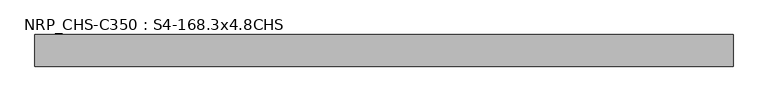
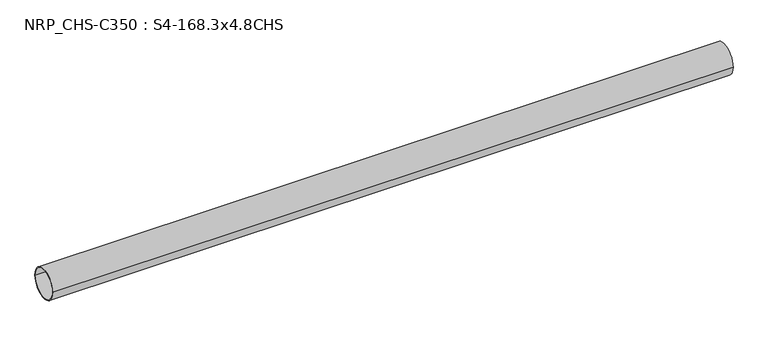
"""IFC4 building model written with IfcOpenShell, lengths in millimetres: beam geometry, NRP_CHS-C350 : S4-168.3x4.8CHS."""

from ifc_helpers import new_model, si_unit, point, frame, origin, origin_2d, place, context, project, spatial, circle_curve, trimmed, segment, composite_curve, outline, extrude, source, transform, mapped, element, save


def nrp_chs_c350_s4_168_3x4_8chs_0d45be2c(model_context):
    return source(origin(), model_context, "Body", "SweptSolid", [
        extrude(outline(composite_curve([segment(trimmed(circle_curve(origin_2d(), 84.15), [point((84.15, 0.0))], [point((-84.15, 0.0))], False, "CARTESIAN"), True, "CONTINUOUS"), segment(trimmed(circle_curve(origin_2d(), 84.15), [point((-84.15, 0.0))], [point((84.15, 0.0))], False, "CARTESIAN"), True, "CONTINUOUS")], self_intersect=False), holes=[composite_curve([segment(trimmed(circle_curve(origin_2d(), 79.35), [point((-79.35, 0.0))], [point((79.35, 0.0))], True, "CARTESIAN"), True, "CONTINUOUS"), segment(trimmed(circle_curve(origin_2d(), 79.35), [point((79.35, 0.0))], [point((-79.35, 0.0))], True, "CARTESIAN"), True, "CONTINUOUS")], self_intersect=False)]), frame((-1658.15, 0.0, 0.0), z_axis=(1.0, 0.0, 0.0), x_axis=(0.0, 1.0, 0.0)), (0.0, 0.0, 1.0), 3717.4),
    ])


if __name__ == "__main__":
    model = new_model("IFC4")
    model_context = context("Model", 3, world=origin())
    ifc_project = project(units=[si_unit("LENGTHUNIT", "METRE", prefix="MILLI")], contexts=[model_context])
    site = spatial("IfcSite", under=ifc_project)
    building = spatial("IfcBuilding", under=site)
    placement = place(None, origin())
    nrp_chs_c350_s4_168_3x4_8chs_shape = nrp_chs_c350_s4_168_3x4_8chs_0d45be2c(model_context)
    element("IfcBeam", 1, ObjectType="NRP_CHS-C350 : S4-168.3x4.8CHS", at=placement, inside=building, context=model_context, shape_type="MappedRepresentation", body=[
        mapped(nrp_chs_c350_s4_168_3x4_8chs_shape, transform((0.0, 0.0, 0.0), x_axis=(1.0, 0.0, 0.0), y_axis=(0.0, 1.0, 0.0), z_axis=(0.0, 0.0, 1.0))),
    ])
    save(model, "model.ifc")
